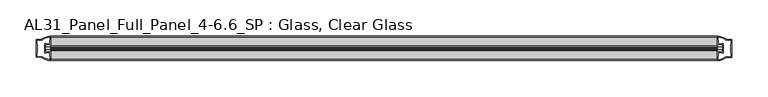
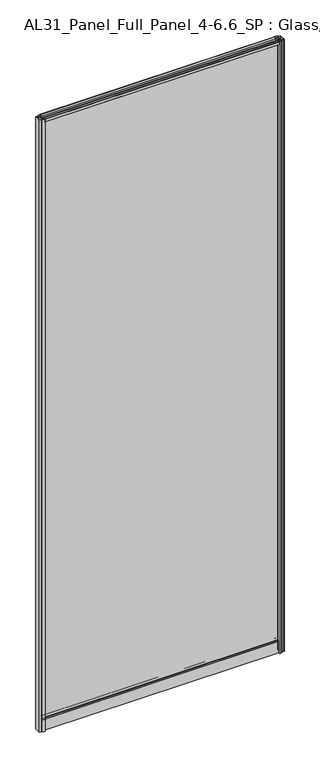
"""IFC4 building model written with IfcOpenShell, lengths in millimetres: plate geometry, AL31_Panel_Full_Panel_4-6.6_SP : Glass, Clear Glass."""

from ifc_helpers import new_model, si_unit, point, frame, frame_2d, origin, origin_with_axes, place, context, project, spatial, polyline, circle_curve, trimmed, segment, composite_curve, outline, extrude, source, transform, mapped, element, save


def al31_panel_full_panel_4_6_6_sp_glass_clear_glass_2baed4c1(model_context):
    return source(origin(), model_context, "Body", "SweptSolid", [
        extrude(outline(composite_curve([segment(polyline([(-1.4, 2526.2980762), (-0.85, 2525.3454483)]), True, "CONTINUOUS"), segment(trimmed(circle_curve(frame_2d((0.1, 2523.7)), 1.9), [point((-0.85, 2525.3454483))], [point((1.05, 2525.3454483))], True, "CARTESIAN"), True, "CONTINUOUS"), segment(polyline([(1.05, 2525.3454483), (1.6, 2526.2980762)]), True, "CONTINUOUS"), segment(trimmed(circle_curve(frame_2d((0.1, 2523.7)), 3.0), [point((1.6, 2526.2980762))], [point((2.5718414, 2522.0))], False, "CARTESIAN"), True, "CONTINUOUS"), segment(polyline([(2.5718414, 2522.0), (15.7, 2522.0), (15.7, 2531.4), (17.0, 2531.4), (17.0, 2520.9), (6.7024688, 2520.9), (6.7024688, 2520.1), (6.1968782, 2518.1785039), (6.1968782, 2513.5), (5.0, 2513.5), (5.0, 2518.8339746), (5.5, 2519.7), (5.5, 2520.9), (-5.5, 2520.9), (-5.5, 2519.7), (-5.0, 2518.8339746), (-5.0, 2513.5), (-6.1968782, 2513.5), (-6.1968782, 2518.1785039), (-6.7024688, 2520.1), (-6.7024688, 2520.9), (-17.0, 2520.9), (-17.0, 2531.4), (-15.7, 2531.4), (-15.7, 2522.0), (-2.3718414, 2522.0)]), True, "CONTINUOUS"), segment(trimmed(circle_curve(frame_2d((0.1, 2523.7)), 3.0), [point((-2.3718414, 2522.0))], [point((-1.4, 2526.2980762))], False, "CARTESIAN"), True, "CONTINUOUS")], self_intersect=False)), frame((-460.0, 0.0, 0.0), z_axis=(1.0, 0.0, 0.0), x_axis=(0.0, 1.0, 0.0)), (0.0, 0.0, 1.0), 920.0),
        extrude(outline(composite_curve([segment(polyline([(-467.8414214, -5.9), (-466.6414214, -5.9), (-466.6414214, -5.0), (-460.0, -5.0), (-460.0, -17.0001453)]), True, "CONTINUOUS"), segment(trimmed(circle_curve(frame_2d((-459.6353484, 2.9965302)), 20.0), [point((-460.0, -17.0001453))], [point((-471.3558352, -13.2093388))], False, "CARTESIAN"), True, "CONTINUOUS"), segment(polyline([(-471.3558352, -13.2093388), (-471.3558352, -12.3279343), (-480.0, -12.3279343), (-480.0, 12.3720657), (-471.3558352, 12.3720657), (-471.3558352, 13.2095249)]), True, "CONTINUOUS"), segment(trimmed(circle_curve(frame_2d((-459.6353484, -2.9963441)), 20.0), [point((-471.3558352, 13.2095249))], [point((-460.0, 17.0003314))], False, "CARTESIAN"), True, "CONTINUOUS"), segment(polyline([(-460.0, 17.0003314), (-460.0, 5.0), (-466.6414214, 5.0), (-466.6414214, 5.9), (-467.8414214, 5.9), (-467.8414214, -5.9)]), True, "CONTINUOUS")], self_intersect=False), holes=[composite_curve([segment(trimmed(circle_curve(frame_2d((-466.8414214, 5.7)), 1.5), [point((-466.8414214, 7.2))], [point((-465.4861671, 6.3428731))], False, "CARTESIAN"), True, "CONTINUOUS"), segment(polyline([(-465.4861671, 6.3428731), (-461.7414214, 6.3428731), (-461.7414214, 10.939223), (-461.3020815, 11.9998832), (-461.3020815, 15.6499817)]), True, "CONTINUOUS"), segment(trimmed(circle_curve(frame_2d((-459.6353484, -2.9755921)), 18.7), [point((-461.3020815, 15.6499817))], [point((-469.6421262, 12.8216987))], True, "CARTESIAN"), True, "CONTINUOUS"), segment(trimmed(circle_curve(frame_2d((-471.4414214, 12.8720657)), 1.8), [point((-469.6421262, 12.8216987))], [point((-471.4414214, 11.0720657))], False, "CARTESIAN"), True, "CONTINUOUS"), segment(polyline([(-471.4414214, 11.0720657), (-478.5828427, 11.0720657), (-478.5828427, 6.5019606), (-478.1414214, 5.439223), (-478.1414214, -5.3950916), (-478.6414214, -6.3879987), (-478.6414214, -11.0279343), (-471.4414214, -11.0279343)]), True, "CONTINUOUS"), segment(trimmed(circle_curve(frame_2d((-471.4414214, -12.8279343)), 1.8), [point((-471.4414214, -11.0279343))], [point((-469.6421262, -12.7775673))], False, "CARTESIAN"), True, "CONTINUOUS"), segment(trimmed(circle_curve(frame_2d((-459.6353484, 3.0197235)), 18.7), [point((-469.6421262, -12.7775673))], [point((-461.3020815, -15.6058503))], True, "CARTESIAN"), True, "CONTINUOUS"), segment(polyline([(-461.3020815, -15.6058503), (-461.3020815, -11.9557518), (-461.7414214, -10.8950916), (-461.7414214, -6.2991308), (-465.4662696, -6.2991308)]), True, "CONTINUOUS"), segment(trimmed(circle_curve(frame_2d((-466.8414214, -5.7)), 1.5), [point((-465.4662696, -6.2991308))], [point((-466.8414214, -7.2))], False, "CARTESIAN"), True, "CONTINUOUS"), segment(polyline([(-466.8414214, -7.2), (-469.1414214, -7.2), (-469.1414214, 7.2), (-466.8414214, 7.2)]), True, "CONTINUOUS")], self_intersect=False)]), origin_with_axes(), (0.0, 0.0, 1.0), 2531.4),
        extrude(outline(composite_curve([segment(polyline([(467.8414214, 5.9), (466.6414214, 5.9), (466.6414214, 5.0), (460.0, 5.0), (460.0, 17.0001453)]), True, "CONTINUOUS"), segment(trimmed(circle_curve(frame_2d((459.6353484, -2.9965302)), 20.0), [point((460.0, 17.0001453))], [point((471.3558352, 13.2093388))], False, "CARTESIAN"), True, "CONTINUOUS"), segment(polyline([(471.3558352, 13.2093388), (471.3558352, 12.3279343), (480.0, 12.3279343), (480.0, -12.3720657), (471.3558352, -12.3720657), (471.3558352, -13.2095249)]), True, "CONTINUOUS"), segment(trimmed(circle_curve(frame_2d((459.6353484, 2.9963441)), 20.0), [point((471.3558352, -13.2095249))], [point((460.0, -17.0003314))], False, "CARTESIAN"), True, "CONTINUOUS"), segment(polyline([(460.0, -17.0003314), (460.0, -5.0), (466.6414214, -5.0), (466.6414214, -5.9), (467.8414214, -5.9), (467.8414214, 5.9)]), True, "CONTINUOUS")], self_intersect=False), holes=[composite_curve([segment(trimmed(circle_curve(frame_2d((466.8414214, -5.7)), 1.5), [point((466.8414214, -7.2))], [point((465.4861671, -6.3428731))], False, "CARTESIAN"), True, "CONTINUOUS"), segment(polyline([(465.4861671, -6.3428731), (461.7414214, -6.3428731), (461.7414214, -10.939223), (461.3020815, -11.9998832), (461.3020815, -15.6499817)]), True, "CONTINUOUS"), segment(trimmed(circle_curve(frame_2d((459.6353484, 2.9755921)), 18.7), [point((461.3020815, -15.6499817))], [point((469.6421262, -12.8216987))], True, "CARTESIAN"), True, "CONTINUOUS"), segment(trimmed(circle_curve(frame_2d((471.4414214, -12.8720657)), 1.8), [point((469.6421262, -12.8216987))], [point((471.4414214, -11.0720657))], False, "CARTESIAN"), True, "CONTINUOUS"), segment(polyline([(471.4414214, -11.0720657), (478.5828427, -11.0720657), (478.5828427, -6.5019606), (478.1414214, -5.439223), (478.1414214, 5.3950916), (478.6414214, 6.3879987), (478.6414214, 11.0279343), (471.4414214, 11.0279343)]), True, "CONTINUOUS"), segment(trimmed(circle_curve(frame_2d((471.4414214, 12.8279343)), 1.8), [point((471.4414214, 11.0279343))], [point((469.6421262, 12.7775673))], False, "CARTESIAN"), True, "CONTINUOUS"), segment(trimmed(circle_curve(frame_2d((459.6353484, -3.0197235)), 18.7), [point((469.6421262, 12.7775673))], [point((461.3020815, 15.6058503))], True, "CARTESIAN"), True, "CONTINUOUS"), segment(polyline([(461.3020815, 15.6058503), (461.3020815, 11.9557518), (461.7414214, 10.8950916), (461.7414214, 6.2991308), (465.4662696, 6.2991308)]), True, "CONTINUOUS"), segment(trimmed(circle_curve(frame_2d((466.8414214, 5.7)), 1.5), [point((465.4662696, 6.2991308))], [point((466.8414214, 7.2))], False, "CARTESIAN"), True, "CONTINUOUS"), segment(polyline([(466.8414214, 7.2), (469.1414214, 7.2), (469.1414214, -7.2), (466.8414214, -7.2)]), True, "CONTINUOUS")], self_intersect=False)]), origin_with_axes(), (0.0, 0.0, 1.0), 2531.4),
        extrude(outline(composite_curve([segment(trimmed(circle_curve(frame_2d((-8.4, 34.8)), 1.0), [point((-8.4, 35.8))], [point((-9.4, 34.8))], True, "CARTESIAN"), True, "CONTINUOUS"), segment(polyline([(-9.4, 34.8), (-9.4, 33.5), (-5.0000303, 33.5), (-5.0000303, 32.3), (-9.4, 32.3), (-9.4, 0.0), (-10.6, 0.0), (-10.6, 47.3)]), True, "CONTINUOUS"), segment(trimmed(circle_curve(frame_2d((-8.6, 47.3)), 2.0), [point((-10.6, 47.3))], [point((-8.6, 49.3))], False, "CARTESIAN"), True, "CONTINUOUS"), segment(polyline([(-8.6, 49.3), (-5.0, 49.3), (-5.0, 41.9), (5.0, 41.9), (5.0, 49.3), (8.6, 49.3)]), True, "CONTINUOUS"), segment(trimmed(circle_curve(frame_2d((8.6, 47.3)), 2.0), [point((8.6, 49.3))], [point((10.6, 47.3))], False, "CARTESIAN"), True, "CONTINUOUS"), segment(polyline([(10.6, 47.3), (10.6, 0.0), (9.4, 0.0), (9.4, 32.3), (4.9999697, 32.3), (4.9999697, 33.5), (9.4, 33.5), (9.4, 34.8)]), True, "CONTINUOUS"), segment(trimmed(circle_curve(frame_2d((8.4, 34.8)), 1.0), [point((9.4, 34.8))], [point((8.4, 35.8))], True, "CARTESIAN"), True, "CONTINUOUS"), segment(polyline([(8.4, 35.8), (-8.4, 35.8)]), True, "CONTINUOUS")], self_intersect=False), holes=[composite_curve([segment(trimmed(circle_curve(frame_2d((5.5024688, 41.8)), 1.0), [point((6.5024688, 41.8))], [point((5.5024688, 40.8))], False, "CARTESIAN"), True, "CONTINUOUS"), segment(polyline([(5.5024688, 40.8), (2.8008965, 40.8), (2.8008965, 39.7274194), (1.8370508, 39.7274194)]), True, "CONTINUOUS"), segment(trimmed(circle_curve(frame_2d((0.0, 38.7)), 2.1048387), [point((1.8370508, 39.7274194))], [point((-1.8370508, 39.7274194))], True, "CARTESIAN"), True, "CONTINUOUS"), segment(polyline([(-1.8370508, 39.7274194), (-2.8008965, 39.7274194), (-2.8008965, 40.8), (-5.5024688, 40.8)]), True, "CONTINUOUS"), segment(trimmed(circle_curve(frame_2d((-5.5024688, 41.8)), 1.0), [point((-5.5024688, 40.8))], [point((-6.5024688, 41.8))], False, "CARTESIAN"), True, "CONTINUOUS"), segment(polyline([(-6.5024688, 41.8), (-6.5024688, 42.7)]), True, "CONTINUOUS"), segment(trimmed(circle_curve(frame_2d((-5.3024688, 42.7)), 1.2), [point((-6.5024688, 42.7))], [point((-6.1198184, 43.5786009))], False, "CARTESIAN"), True, "CONTINUOUS"), segment(polyline([(-6.1198184, 43.5786009), (-6.1198184, 48.2), (-8.4, 48.2)]), True, "CONTINUOUS"), segment(trimmed(circle_curve(frame_2d((-8.4, 47.2)), 1.0), [point((-8.4, 48.2))], [point((-9.4, 47.2))], True, "CARTESIAN"), True, "CONTINUOUS"), segment(polyline([(-9.4, 47.2), (-9.4, 37.04), (-2.8008965, 37.04), (-2.8008965, 38.0725806), (-1.8370508, 38.0725806)]), True, "CONTINUOUS"), segment(trimmed(circle_curve(frame_2d((0.0, 39.1)), 2.1048387), [point((-1.8370508, 38.0725806))], [point((1.8370508, 38.0725806))], True, "CARTESIAN"), True, "CONTINUOUS"), segment(polyline([(1.8370508, 38.0725806), (2.8008965, 38.0725806), (2.8008965, 37.04), (9.4, 37.04), (9.4, 47.2)]), True, "CONTINUOUS"), segment(trimmed(circle_curve(frame_2d((8.4, 47.2)), 1.0), [point((9.4, 47.2))], [point((8.4, 48.2))], True, "CARTESIAN"), True, "CONTINUOUS"), segment(polyline([(8.4, 48.2), (6.1198184, 48.2), (6.1198184, 43.7786009)]), True, "CONTINUOUS"), segment(trimmed(circle_curve(frame_2d((5.3024688, 42.9)), 1.2), [point((6.1198184, 43.7786009))], [point((6.5024688, 42.9))], False, "CARTESIAN"), True, "CONTINUOUS"), segment(polyline([(6.5024688, 42.9), (6.5024688, 41.8)]), True, "CONTINUOUS")], self_intersect=False)]), frame((-460.0, 0.0, 0.0), z_axis=(1.0, 0.0, 0.0), x_axis=(0.0, 1.0, 0.0)), (0.0, 0.0, 1.0), 920.0),
        extrude(outline(polyline([(467.8414214, 2.0), (467.8414214, -2.0), (-467.8414214, -2.0), (-467.8414214, 2.0), (467.8414214, 2.0)])), frame((0.0, 0.0, 41.9), z_axis=(0.0, 0.0, 1.0), x_axis=(1.0, 0.0, 0.0)), (0.0, 0.0, 1.0), 2479.0),
    ])


if __name__ == "__main__":
    model = new_model("IFC4")
    model_context = context("Model", 3, world=origin())
    ifc_project = project(units=[si_unit("LENGTHUNIT", "METRE", prefix="MILLI")], contexts=[model_context])
    site = spatial("IfcSite", under=ifc_project)
    building = spatial("IfcBuilding", under=site)
    placement = place(None, origin())
    al31_panel_full_panel_4_6_6_sp_glass_clear_glass_shape = al31_panel_full_panel_4_6_6_sp_glass_clear_glass_2baed4c1(model_context)
    element("IfcPlate", 1, ObjectType="AL31_Panel_Full_Panel_4-6.6_SP : Glass, Clear Glass", at=placement, inside=building, context=model_context, shape_type="MappedRepresentation", body=[
        mapped(al31_panel_full_panel_4_6_6_sp_glass_clear_glass_shape, transform((0.0, 0.0, 0.0), x_axis=(1.0, 0.0, 0.0), y_axis=(0.0, 1.0, 0.0), z_axis=(0.0, 0.0, 1.0))),
    ])
    save(model, "model.ifc")
